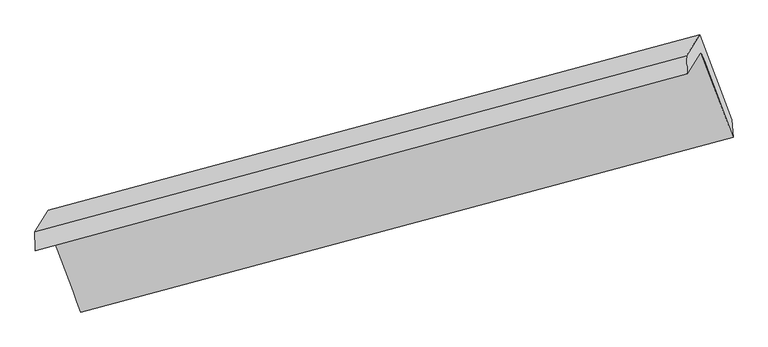
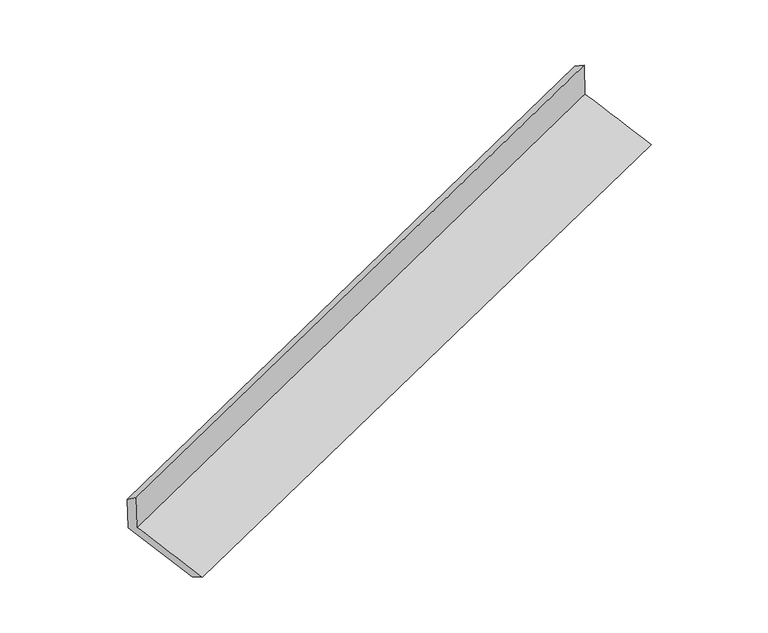
"""IFC4 building model written with IfcOpenShell, lengths in millimetres: proxy geometry."""

from ifc_helpers import new_model, si_unit, frame, origin, place, context, project, spatial, source, transform, mapped, element, save
from ifc_brep_helpers import plane_surface, spline_surface, advanced_brep


def generic_models_5b91452a(model_context):
    return source(origin(), model_context, "Body", "AdvancedBrep", [
        advanced_brep(
        [(-5301.1093593, -2100.5154881, 1491.5808097), (-5200.5287177, -1940.9996881, 1086.592719), (-598.6006434, -698.8085804, 2702.1051206), (-695.2216836, -852.0446533, 3091.1498708), (-5302.5515721, -1964.1722745, 1391.9306133), (-699.6503623, -721.6818522, 3004.2849322), (-5206.8656674, -1812.4192791, 1006.6511874), (-607.8476343, -576.0873781, 2634.6411223), (-4988.2139719, -2393.5054053, 832.0774354), (-381.976615, -1175.2363348, 2454.7457752), (-4977.7613342, -2533.0236176, 908.7329596), (-371.9036011, -1300.1486586, 2521.5518861)],
        [
            (0, 1),
            (1, 2),
            (2, 3),
            (3, 0),
            (4, 0),
            (3, 5),
            (5, 4),
            (6, 4),
            (5, 7),
            (7, 6),
            (8, 6),
            (7, 9),
            (9, 8),
            (10, 8),
            (9, 11),
            (11, 10),
            (1, 10),
            (11, 2),
        ],
        [
            plane_surface(frame((-5250.8190385, -2020.7575881, 1289.0867644), z_axis=(0.3383592517338274, -0.9011745738652034, -0.270919552976513), x_axis=(0.22514330515460793, 0.35706587150427804, -0.9065398256838745))),
            spline_surface(1, 1, [[(-5302.5515721, -1964.1722745, 1391.9306133), (-699.6503623, -721.6818522, 3004.2849322)], [(-5301.1093593, -2100.5154881, 1491.5808097), (-695.2216836, -852.0446533, 3091.1498708)]], [2, 2], [2, 2], [0.0, 1.0], [0.0, 1.0]),
            plane_surface(frame((-5254.7086197, -1888.2957768, 1199.2909003), z_axis=(-0.338193111705627, 0.9012192416165922, 0.27097840824479014), x_axis=(-0.2251433051546078, -0.35706587150427727, 0.9065398256838749))),
            spline_surface(1, 1, [[(-4988.2139719, -2393.5054053, 832.0774354), (-381.976615, -1175.2363348, 2454.7457752)], [(-5206.8656674, -1812.4192791, 1006.6511874), (-607.8476343, -576.0873781, 2634.6411223)]], [2, 2], [2, 2], [0.0, 1.0], [0.0, 1.0]),
            spline_surface(1, 1, [[(-4977.7613342, -2533.0236176, 908.7329596), (-371.9036011, -1300.1486586, 2521.5518861)], [(-4988.2139719, -2393.5054053, 832.0774354), (-381.976615, -1175.2363348, 2454.7457752)]], [2, 2], [2, 2], [0.0, 1.0], [0.0, 1.0]),
            spline_surface(1, 1, [[(-5200.5287177, -1940.9996881, 1086.592719), (-598.6006434, -698.8085804, 2702.1051206)], [(-4977.7613342, -2533.0236176, 908.7329596), (-371.9036011, -1300.1486586, 2521.5518861)]], [2, 2], [2, 2], [0.0, 1.0], [0.0, 1.0]),
            plane_surface(frame((-559.2000899, -887.3345763, 2734.7464512), z_axis=(0.9132248371389794, 0.24696821530413637, 0.3240788445146867), x_axis=(-0.3396040179040049, 0.9008388668548786, 0.27047818209067215))),
            plane_surface(frame((-5162.8384371, -2124.1059588, 1119.5942874), z_axis=(-0.9134391284998765, -0.24639925039228033, -0.3239079621304617), x_axis=(-0.2251433051546457, -0.3570658715042861, 0.9065398256838619))),
        ],
        [
            (0, [[1, 2, 3, 4]]),
            (1, [[5, -4, 6, 7]]),
            (2, [[8, -7, 9, 10]]),
            (3, [[11, -10, 12, 13]]),
            (4, [[14, -13, 15, 16]]),
            (5, [[17, -16, 18, -2]]),
            (6, [[-12, -9, -6, -3, -18, -15]]),
            (7, [[-1, -5, -8, -11, -14, -17]]),
        ],
    ),
    ])


if __name__ == "__main__":
    model = new_model("IFC4")
    model_context = context("Model", 3, world=origin())
    ifc_project = project(units=[si_unit("LENGTHUNIT", "METRE", prefix="MILLI")], contexts=[model_context])
    site = spatial("IfcSite", under=ifc_project)
    building = spatial("IfcBuilding", under=site)
    placement = place(None, origin())
    generic_models_shape = generic_models_5b91452a(model_context)
    element("IfcBuildingElementProxy", 1, Name="Generic Models", at=placement, inside=building, context=model_context, shape_type="MappedRepresentation", body=[
        mapped(generic_models_shape, transform((0.0, 0.0, 0.0), x_axis=(1.0, 0.0, 0.0), y_axis=(0.0, 1.0, 0.0), z_axis=(0.0, 0.0, 1.0))),
    ])
    save(model, "model.ifc")
